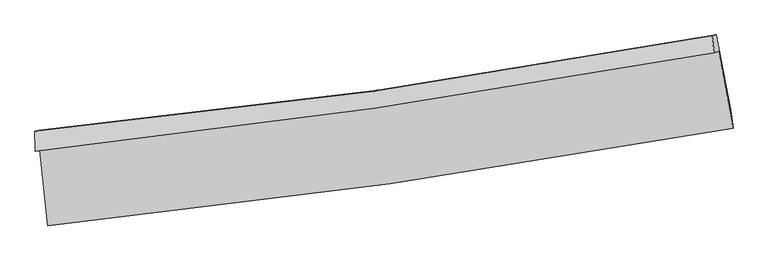
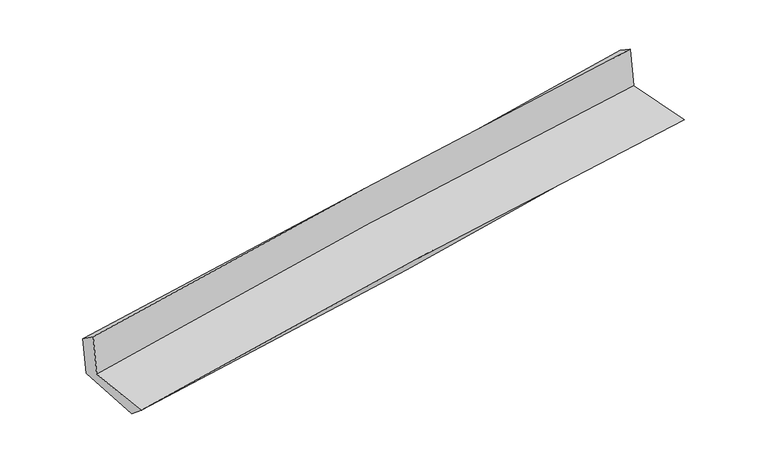
"""IFC4 building model written with IfcOpenShell, lengths in millimetres: proxy geometry."""

from ifc_helpers import new_model, si_unit, frame, origin, place, context, project, spatial, source, transform, mapped, element, save
from ifc_brep_helpers import plane_surface, spline_curve, spline_surface, advanced_brep


def generic_models_5794f74b(model_context):
    return source(origin(), model_context, "Body", "AdvancedBrep", [
        advanced_brep(
        [(-2936.1190787, -1910.3181946, 1623.8788921), (-2871.0862125, -2563.0744407, 1614.6939009), (3022.1920971, -1722.7765087, 2099.5417101), (2897.3902202, -1063.4424161, 2103.2784529), (-2974.8614142, -1919.9940751, 2037.212581), (2859.4813981, -1072.910127, 2507.7195657), (-2979.6261284, -1750.1447757, 1913.0087804), (2841.708615, -930.4822686, 2414.9282665), (-2944.0125505, -1741.250301, 1533.0551366), (2877.3332149, -921.5850412, 2034.8570321), (-2874.1469131, -2410.1657606, 1490.0824935), (3002.7936821, -1567.3882378, 1998.3920605)],
        [
            (0, 1),
            (1, 2, spline_curve(3, [(-2871.0862125, -2563.0744407, 1614.6939009), (-1891.247324852, -2460.796014705, 1757.42649076), (-911.306474995, -2339.828042485, 1869.176109616), (1053.118723195, -2059.894610887, 2031.067035353), (2037.603976563, -1900.763272159, 2080.933353019), (3022.1920971, -1722.7765087, 2099.5417101)], [4, 2, 4], [0.0, 9.734442825108715, 19.511989215049837])),
            (2, 3),
            (3, 0, spline_curve(3, [(2897.3902202, -1063.4424161, 2103.2784529), (1922.696940758, -1240.406988253, 2085.621481719), (948.150959547, -1399.578938674, 2036.685834899), (-996.350844339, -1681.714335978, 1876.610809999), (-1966.307962816, -1804.834311656, 1765.746602998), (-2936.1190787, -1910.3181946, 1623.8788921)], [4, 2, 4], [0.0, 9.777546389941122, 19.511989215049837])),
            (4, 0),
            (3, 5),
            (5, 4, spline_curve(3, [(2859.4813981, -1072.910127, 2507.7195657), (1885.633860858, -1249.663475557, 2481.039551307), (911.440049801, -1408.747471342, 2428.34667555), (-1033.343933835, -1690.953343026, 2271.282167871), (-2003.931060271, -1814.230662926, 2167.139382437), (-2974.8614142, -1919.9940751, 2037.212581)], [4, 2, 4], [0.0, 9.728754967963168, 19.414621464342954])),
            (6, 4),
            (5, 7),
            (7, 6, spline_curve(3, [(2841.708615, -930.4822686, 2414.9282665), (1874.651807296, -1109.942240881, 2342.316716927), (904.934660764, -1268.081331883, 2264.079519709), (-1035.533657652, -1541.114598713, 2096.723533023), (-2006.261425797, -1656.19634344, 2007.654235071), (-2979.6261284, -1750.1447757, 1913.0087804)], [4, 2, 4], [0.0, 9.715326697244134, 19.387824120408474])),
            (8, 6),
            (7, 9),
            (9, 8, spline_curve(3, [(2877.3332149, -921.5850412, 2034.8570321), (1910.256163533, -1101.050069204, 1962.461455579), (940.527995222, -1259.191912898, 1884.341849203), (-999.943916173, -1532.226077115, 1717.024193852), (-1970.664336131, -1647.305986899, 1627.876502113), (-2944.0125505, -1741.250301, 1533.0551366)], [4, 2, 4], [0.0, 9.703002458256801, 19.363229972898022])),
            (10, 8),
            (9, 11),
            (11, 10, spline_curve(3, [(3002.7936821, -1567.3882378, 1998.3920605), (2027.016377039, -1753.132726867, 1924.804816033), (1048.294297719, -1916.341906134, 1845.545987258), (-910.711807135, -2197.069494681, 1676.059569369), (-1890.96992607, -2314.786156255, 1585.881876025), (-2874.1469131, -2410.1657606, 1490.0824935)], [4, 2, 4], [0.0, 9.751341007575203, 19.459693974740254])),
            (1, 10),
            (11, 2),
        ],
        [
            spline_surface(3, 3, [[(-2936.1190787, -1910.3181946, 1623.8788921), (-1966.307962731, -1804.834311614, 1765.74660296), (-996.350844293, -1681.714335896, 1876.610809943), (948.150959501, -1399.578938756, 2036.685834955), (1922.696940687, -1240.40698833, 2085.62148158), (2897.3902202, -1063.4424161, 2103.2784529)], [(-2914.441456626, -2127.903609947, 1620.817228374), (-1941.287750092, -2023.488212593, 1762.973232275), (-968.0027212, -1901.085571452, 1874.132576535), (983.140214075, -1619.684162793, 2034.812901733), (1960.999285996, -1460.525749632, 2084.058772013), (2938.990845838, -1283.220446973, 2102.032871972)], [(-2892.763834574, -2345.489025353, 1617.755564626), (-1916.267537475, -2242.142113633, 1760.199861566), (-939.654598111, -2120.456806979, 1871.654343107), (1018.129468645, -1839.789386801, 2032.939968492), (1999.301631289, -1680.644510916, 2082.496062431), (2980.591471462, -1502.998477827, 2100.787291028)], [(-2871.0862125, -2563.0744407, 1614.6939009), (-1891.247324836, -2460.796014612, 1757.426490881), (-911.306475019, -2339.828042534, 1869.176109699), (1053.118723219, -2059.894610838, 2031.06703527), (2037.603976598, -1900.763272218, 2080.933352865), (3022.1920971, -1722.7765087, 2099.5417101)]], [4, 4], [4, 2, 4], [0.0, 2.1852646404811478], [0.0, 9.734442825108715, 19.511989215049837]),
            spline_surface(3, 3, [[(-2974.8614142, -1919.9940751, 2037.212581), (-2003.931060359, -1814.230662971, 2167.139382449), (-1033.34393389, -1690.953342911, 2271.28216798), (911.440049856, -1408.747471457, 2428.34667544), (1885.633860818, -1249.663475496, 2481.039551451), (2859.4813981, -1072.910127, 2507.7195657)], [(-2961.947302374, -1916.768781613, 1899.4346847), (-1991.390027824, -1811.098545865, 2033.341789286), (-1021.01290405, -1687.873673882, 2139.725048642), (923.677019713, -1405.691293866, 2297.793061953), (1897.98822077, -1246.577979783, 2349.233528144), (2872.117672129, -1069.754223375, 2372.905861417)], [(-2949.033190526, -1913.543488087, 1761.6567884), (-1978.848995266, -1807.96642872, 1899.544196123), (-1008.681874133, -1684.794004925, 2008.167929281), (935.913989645, -1402.635116347, 2167.239448442), (1910.342580736, -1243.492484043, 2217.427504886), (2884.753946171, -1066.598319725, 2238.092157183)], [(-2936.1190787, -1910.3181946, 1623.8788921), (-1966.307962731, -1804.834311614, 1765.74660296), (-996.350844293, -1681.714335896, 1876.610809943), (948.150959501, -1399.578938756, 2036.685834955), (1922.696940687, -1240.40698833, 2085.62148158), (2897.3902202, -1063.4424161, 2103.2784529)]], [4, 4], [4, 2, 4], [0.0, 1.295899130406435], [0.0, 9.685866496379786, 19.414621464342954]),
            spline_surface(3, 3, [[(-2979.6261284, -1750.1447757, 1913.0087804), (-2006.261425806, -1656.196343543, 2007.654234913), (-1035.533657727, -1541.114598859, 2096.723533103), (904.934660839, -1268.081331735, 2264.079519629), (1874.651807222, -1109.942240748, 2342.316716772), (2841.708615, -930.4822686, 2414.9282665)], [(-2978.037890343, -1806.761208826, 1954.410047266), (-2005.484637333, -1708.874450012, 2060.815950758), (-1034.803749752, -1591.060846891, 2154.90974474), (907.103123874, -1314.97004499, 2318.835238244), (1878.312491745, -1156.515985666, 2388.55766166), (2847.632876024, -977.958221401, 2445.858699561)], [(-2976.449652257, -1863.377641974, 1995.811314134), (-2004.707848832, -1761.552556502, 2113.977666605), (-1034.073841865, -1641.00709488, 2213.095956343), (909.271586821, -1361.858758202, 2373.590956825), (1881.973176296, -1203.089730579, 2434.798606564), (2853.557137076, -1025.434174199, 2476.789132639)], [(-2974.8614142, -1919.9940751, 2037.212581), (-2003.931060359, -1814.230662971, 2167.139382449), (-1033.34393389, -1690.953342911, 2271.28216798), (911.440049856, -1408.747471457, 2428.34667544), (1885.633860818, -1249.663475496, 2481.039551451), (2859.4813981, -1072.910127, 2507.7195657)]], [4, 4], [4, 2, 4], [0.0, 0.7321810901897978], [0.0, 9.67249742316434, 19.387824120408474]),
            spline_surface(3, 3, [[(-2944.0125505, -1741.250301, 1533.0551366), (-1970.664336276, -1647.305986806, 1627.876502009), (-999.943916185, -1532.226077225, 1717.024193951), (940.527995234, -1259.191912788, 1884.341849104), (1910.256163648, -1101.050069147, 1962.461455667), (2877.3332149, -921.5850412, 2034.8570321)], [(-2955.883743137, -1744.215125899, 1659.706351186), (-1982.530032789, -1650.26943905, 1754.46907963), (-1011.807163379, -1535.188917753, 1843.590640315), (928.663550422, -1262.15505242, 2010.921072592), (1898.388044858, -1104.014126354, 2089.079876042), (2865.458348285, -924.550783673, 2161.547443573)], [(-2967.754935763, -1747.179950801, 1786.357565814), (-1994.395729293, -1653.232891298, 1881.061657292), (-1023.670410532, -1538.151758331, 1970.157086739), (916.799105651, -1265.118192102, 2137.500296141), (1886.519926013, -1106.978183541, 2215.698296398), (2853.583481615, -927.516526127, 2288.237855027)], [(-2979.6261284, -1750.1447757, 1913.0087804), (-2006.261425806, -1656.196343543, 2007.654234913), (-1035.533657727, -1541.114598859, 2096.723533103), (904.934660839, -1268.081331735, 2264.079519629), (1874.651807222, -1109.942240748, 2342.316716772), (2841.708615, -930.4822686, 2414.9282665)]], [4, 4], [4, 2, 4], [0.0, 1.251596260038494], [0.0, 9.660227514641221, 19.363229972898022]),
            spline_surface(3, 3, [[(-2874.1469131, -2410.1657606, 1490.0824935), (-1890.969926097, -2314.786156395, 1585.881876114), (-910.711807106, -2197.069494662, 1676.059569508), (1048.29429769, -1916.341906153, 1845.545987118), (2027.016377101, -1753.132726949, 1924.804816043), (3002.7936821, -1567.3882378, 1998.3920605)], [(-2897.435458904, -2187.193940735, 1504.406707886), (-1917.534729494, -2092.292766534, 1599.880084765), (-940.455843454, -1975.455022192, 1689.714444335), (1012.372196883, -1697.291908374, 1858.477941126), (1988.096305927, -1535.771840992, 1937.357029261), (2960.973526344, -1352.120505577, 2010.547051043)], [(-2920.724004696, -1964.222120865, 1518.730922214), (-1944.099532879, -1869.799376667, 1613.878293357), (-970.199879837, -1753.840549695, 1703.369319124), (976.45009604, -1478.241910567, 1871.409895096), (1949.176234822, -1318.410955104, 1949.909242449), (2919.153370656, -1136.852773423, 2022.702041557)], [(-2944.0125505, -1741.250301, 1533.0551366), (-1970.664336276, -1647.305986806, 1627.876502009), (-999.943916185, -1532.226077225, 1717.024193951), (940.527995234, -1259.191912788, 1884.341849104), (1910.256163648, -1101.050069147, 1962.461455667), (2877.3332149, -921.5850412, 2034.8570321)]], [4, 4], [4, 2, 4], [0.0, 2.1964343830433277], [0.0, 9.708352967165052, 19.459693974740254]),
            spline_surface(3, 3, [[(-2871.0862125, -2563.0744407, 1614.6939009), (-1891.247324836, -2460.796014612, 1757.426490881), (-911.306475019, -2339.828042534, 1869.176109699), (1053.118723219, -2059.894610838, 2031.06703527), (2037.603976598, -1900.763272218, 2080.933352865), (3022.1920971, -1722.7765087, 2099.5417101)], [(-2872.106446017, -2512.10488068, 1573.156765087), (-1891.154858573, -2412.126061886, 1700.244952612), (-911.108252385, -2292.241859918, 1804.803929618), (1051.510581372, -2012.043709284, 1969.226685868), (2034.074776779, -1851.553090462, 2028.890507258), (3015.72595878, -1670.9804184, 2065.825160234)], [(-2873.126679583, -2461.13532062, 1531.619629313), (-1891.06239236, -2363.456109121, 1643.063414383), (-910.91002974, -2244.655677279, 1740.43174959), (1049.902439536, -1964.192807707, 1907.38633652), (2030.54557692, -1802.342908705, 1976.84766165), (3009.25982042, -1619.1843281, 2032.108610366)], [(-2874.1469131, -2410.1657606, 1490.0824935), (-1890.969926097, -2314.786156395, 1585.881876114), (-910.711807106, -2197.069494662, 1676.059569508), (1048.29429769, -1916.341906153, 1845.545987118), (2027.016377101, -1753.132726949, 1924.804816043), (3002.7936821, -1567.3882378, 1998.3920605)]], [4, 4], [4, 2, 4], [0.0, 0.7786981147914287], [0.0, 9.768329664542213, 19.579912942934193]),
            plane_surface(frame((2916.8165379, -1213.0974332, 2193.1195146), z_axis=(0.9781141694837983, 0.18459799569132226, 0.09600130958360105), x_axis=(-0.09329699044114467, -0.02330088043545901, 0.9953656315874874))),
            plane_surface(frame((-2929.9753829, -2049.1579246, 1701.9886307), z_axis=(-0.990691370509085, -0.09736200551952959, -0.09513804854024596), x_axis=(-0.09912759441046487, 0.9949762353202984, 0.014000399074330473))),
        ],
        [
            (0, [[1, 2, 3, 4]]),
            (1, [[5, -4, 6, 7]]),
            (2, [[8, -7, 9, 10]]),
            (3, [[11, -10, 12, 13]]),
            (4, [[14, -13, 15, 16]]),
            (5, [[17, -16, 18, -2]]),
            (6, [[-12, -9, -6, -3, -18, -15]]),
            (7, [[-1, -5, -8, -11, -14, -17]]),
        ],
    ),
    ])


if __name__ == "__main__":
    model = new_model("IFC4")
    model_context = context("Model", 3, world=origin())
    ifc_project = project(units=[si_unit("LENGTHUNIT", "METRE", prefix="MILLI")], contexts=[model_context])
    site = spatial("IfcSite", under=ifc_project)
    building = spatial("IfcBuilding", under=site)
    placement = place(None, origin())
    generic_models_shape = generic_models_5794f74b(model_context)
    element("IfcBuildingElementProxy", 1, Name="Generic Models", at=placement, inside=building, context=model_context, shape_type="MappedRepresentation", body=[
        mapped(generic_models_shape, transform((0.0, 0.0, 0.0), x_axis=(1.0, 0.0, 0.0), y_axis=(0.0, 1.0, 0.0), z_axis=(0.0, 0.0, 1.0))),
    ])
    save(model, "model.ifc")
